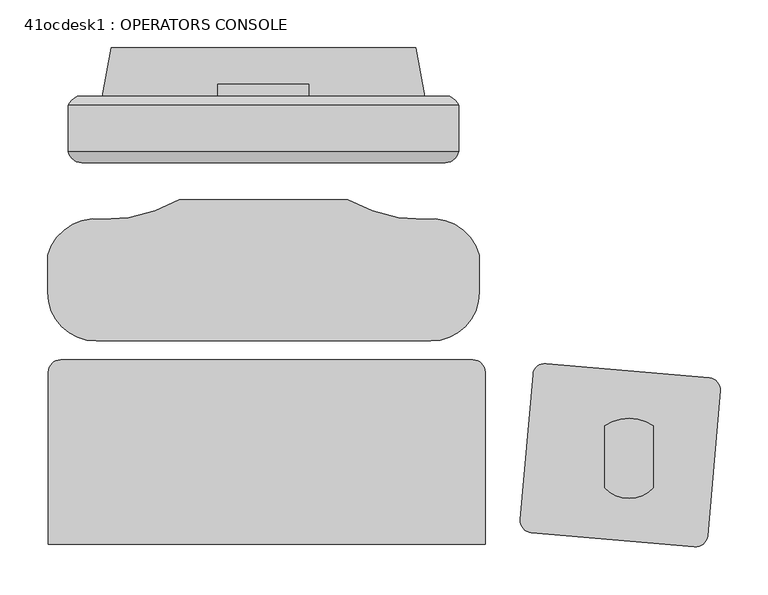
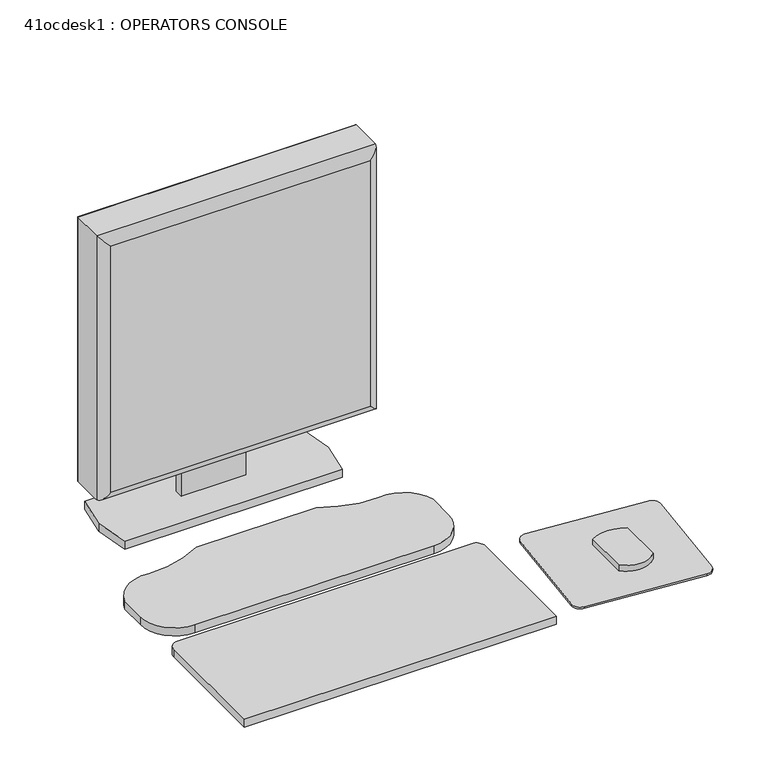
"""IFC4 building model written with IfcOpenShell, lengths in millimetres: proxy geometry, 41ocdesk1 : OPERATORS CONSOLE."""

from ifc_helpers import new_model, si_unit, point, frame, frame_2d, origin, place, context, project, spatial, polyline, circle_curve, ellipse_curve, trimmed, segment, composite_curve, outline, extrude, source, transform, mapped, element, save
from ifc_brep_helpers import plane_surface, cylinder_surface, advanced_brep


def proxy_41ocdesk1_operators_console_17525c75(model_context):
    return source(origin(), model_context, "Body", "SolidModel", [
        advanced_brep(
        [(59.2673539, 215.8255441, 1419.86), (59.2673539, 172.6948635, 1419.86), (59.2673539, 167.6978207, 1419.86), (468.2073539, 167.6978207, 1419.86), (468.2073539, 172.6948635, 1419.86), (468.2073539, 215.8255441, 1419.86), (468.2073539, 215.8255441, 1010.2963264), (468.2073539, 172.6948635, 1010.2963264), (468.2073539, 167.6978207, 1010.2963264), (59.2673539, 167.6978207, 1010.2963264), (59.2673539, 172.6948635, 1010.2963264), (59.2673539, 215.8255441, 1010.2963264), (68.5049899, 225.0631801, 1019.5339624), (68.5049899, 225.0631801, 1410.622364), (458.969718, 225.0631801, 1410.622364), (458.969718, 225.0631801, 1019.5339624), (73.4315146, 155.8135032, 1405.694569), (73.4315146, 155.8135032, 1024.4617574), (454.0419229, 155.8135032, 1024.460487), (454.0431933, 155.8135032, 1405.694569)],
        [
            (0, 1),
            (1, 2),
            (2, 3),
            (3, 4),
            (4, 5),
            (5, 0),
            (6, 7),
            (7, 8),
            (8, 9),
            (9, 10),
            (10, 11),
            (11, 6),
            (12, 13),
            (13, 14),
            (14, 15),
            (15, 12),
            (0, 11),
            (9, 2),
            (16, 17),
            (17, 18),
            (18, 19),
            (19, 16),
            (3, 8),
            (6, 5),
            (12, 11, ellipse_curve(frame((75.3820422, 208.9484918, 1026.4110147), z_axis=(-0.7071067811865452, 0.0, 0.7071067811865498), x_axis=(-0.7071067811865498, 0.0, -0.7071067811865452)), 24.7780962, 17.5207599)),
            (0, 13, ellipse_curve(frame((75.3820422, 208.9484918, 1403.7453117), z_axis=(-0.7071067811865498, 0.0, -0.7071067811865452), x_axis=(0.7071067811865452, 0.0, -0.7071067811865498)), 24.7780962, 17.5207599)),
            (16, 2, ellipse_curve(frame((73.4315146, 170.1963421, 1405.6958394), z_axis=(-0.7071067811865498, 0.0, -0.7071067811865452), x_axis=(0.7071067811865452, 0.0, -0.7071067811865498)), 20.3404059, 14.3828389)),
            (9, 17, ellipse_curve(frame((73.4315146, 170.1963421, 1024.460487), z_axis=(-0.7071067811865452, 0.0, 0.7071067811865498), x_axis=(-0.7071067811865498, 0.0, -0.7071067811865452)), 20.3404059, 14.3828389)),
            (15, 6, ellipse_curve(frame((452.0926657, 208.9484918, 1026.4110147), z_axis=(-0.7071067811865498, 0.0, -0.7071067811865452), x_axis=(0.7071067811865452, 0.0, -0.7071067811865497)), 24.7780962, 17.5207599)),
            (8, 18, ellipse_curve(frame((454.0431933, 170.1963421, 1024.460487), z_axis=(-0.7071067811865498, 0.0, -0.7071067811865452), x_axis=(0.7071067811865452, 0.0, -0.7071067811865497)), 20.3404059, 14.3828389)),
            (14, 5, ellipse_curve(frame((452.0926657, 208.9484918, 1403.7453117), z_axis=(0.7071067811865452, 0.0, -0.7071067811865498), x_axis=(0.7071067811865498, 0.0, 0.7071067811865452)), 24.7780962, 17.5207599)),
            (3, 19, ellipse_curve(frame((454.0431933, 170.1963421, 1405.6958394), z_axis=(0.7071067811865452, 0.0, -0.7071067811865498), x_axis=(0.7071067811865498, 0.0, 0.7071067811865452)), 20.3404059, 14.3828389)),
        ],
        [
            plane_surface(frame((64.3473539, 225.0631801, 1419.86), z_axis=(0.0, 0.0, 1.0), x_axis=(-1.0, 0.0, 0.0))),
            plane_surface(frame((64.3473539, 225.0631801, 1010.2963264), z_axis=(0.0, 0.0, -1.0), x_axis=(1.0, 0.0, 0.0))),
            plane_surface(frame((468.2073539, 225.0631801, 1419.86), z_axis=(0.0, 1.0, 0.0), x_axis=(0.0, 0.0, -1.0))),
            plane_surface(frame((59.2673539, 225.0631801, 1419.86), z_axis=(-1.0, 0.0, 0.0), x_axis=(0.0, 0.0, -1.0))),
            plane_surface(frame((59.2673539, 155.8135032, 1419.86), z_axis=(0.0, -1.0, 0.0), x_axis=(0.0, 0.0, -1.0))),
            plane_surface(frame((468.2073539, 155.8135032, 1419.86), z_axis=(1.0, 0.0, 0.0), x_axis=(0.0, 0.0, -1.0))),
            cylinder_surface(frame((75.3820422, 208.9484918, 1419.86), z_axis=(0.0, 0.0, -1.0), x_axis=(0.0, 1.0, 0.0)), 17.5207599),
            cylinder_surface(frame((73.4315146, 170.1963421, 1419.86), z_axis=(0.0, 0.0, -1.0), x_axis=(0.0, 1.0, 0.0)), 14.3828389),
            cylinder_surface(frame((59.2673539, 208.9484918, 1026.4110147), z_axis=(1.0, 0.0, 0.0), x_axis=(0.0, 1.0, 0.0)), 17.5207599),
            cylinder_surface(frame((59.2673539, 170.1963421, 1024.460487), z_axis=(1.0, 0.0, 0.0), x_axis=(0.0, 1.0, 0.0)), 14.3828389),
            cylinder_surface(frame((452.0926657, 208.9484918, 1010.2963264), z_axis=(0.0, 0.0, 1.0), x_axis=(0.0, 1.0, 0.0)), 17.5207599),
            cylinder_surface(frame((454.0431933, 170.1963421, 1010.2963264), z_axis=(0.0, 0.0, 1.0), x_axis=(0.0, 1.0, 0.0)), 14.3828389),
            cylinder_surface(frame((468.2073539, 208.9484918, 1403.7453117), z_axis=(-1.0, 0.0, 0.0), x_axis=(0.0, 1.0, 0.0)), 17.5207599),
            cylinder_surface(frame((468.2073539, 170.1963421, 1405.6958394), z_axis=(-1.0, 0.0, 0.0), x_axis=(0.0, 1.0, 0.0)), 14.3828389),
        ],
        [
            (0, [[1, 2, 3, 4, 5, 6]]),
            (1, [[7, 8, 9, 10, 11, 12]]),
            (2, [[13, 14, 15, 16]]),
            (3, [[-1, 17, -11, -10, 18, -2]]),
            (4, [[19, 20, 21, 22]]),
            (5, [[-5, -4, 23, -8, -7, 24]]),
            (6, [[25, -17, 26, -13]]),
            (7, [[27, -18, 28, -19]]),
            (8, [[-25, -16, 29, -12]]),
            (9, [[30, -20, -28, -9]]),
            (10, [[-29, -15, 31, -24]]),
            (11, [[32, -21, -30, -23]]),
            (12, [[-26, -6, -31, -14]]),
            (13, [[-27, -22, -32, -3]]),
        ],
    ),
        extrude(outline(polyline([(84.6673539, 161.7272823), (442.8073539, 161.7272823), (442.8073539, 155.8135032), (84.6673539, 155.8135032), (84.6673539, 161.7272823)])), frame((0.0, 0.0, 1035.6963264), z_axis=(0.0, 0.0, 1.0), x_axis=(1.0, 0.0, 0.0)), (0.0, 0.0, 1.0), 358.7636736),
        extrude(outline(polyline([(225.0631801, 1236.2794056), (237.7443513, 1236.2794056), (237.7443513, 926.6153731), (225.0631801, 926.6153731), (225.0631801, 1006.8339624), (227.8004125, 1006.8339624), (227.8004125, 1019.5339624), (225.0631801, 1019.5339624), (225.0631801, 1236.2794056)])), frame((216.1123539, 0.0, 0.0), z_axis=(1.0, 0.0, 0.0), x_axis=(0.0, 1.0, 0.0)), (0.0, 0.0, 1.0), 95.25),
        extrude(outline(composite_curve([segment(trimmed(circle_curve(frame_2d((558.6927577, -67.155936)), 12.7), [point((546.041085, -66.0490581))], [point((559.7996356, -54.5042634))], False, "CARTESIAN"), True, "CONTINUOUS"), segment(polyline([(559.7996356, -54.5042634), (730.5972166, -69.4471155)]), True, "CONTINUOUS"), segment(trimmed(circle_curve(frame_2d((729.4903387, -82.0987881)), 12.7), [point((730.5972166, -69.4471155))], [point((742.1420114, -83.2056661))], False, "CARTESIAN"), True, "CONTINUOUS"), segment(polyline([(742.1420114, -83.2056661), (728.8594762, -235.0257381)]), True, "CONTINUOUS"), segment(trimmed(circle_curve(frame_2d((716.2078035, -233.9188601)), 12.7), [point((728.8594762, -235.0257381))], [point((715.1009256, -246.5705328))], False, "CARTESIAN"), True, "CONTINUOUS"), segment(polyline([(715.1009256, -246.5705328), (544.3033446, -231.6276807)]), True, "CONTINUOUS"), segment(trimmed(circle_curve(frame_2d((545.4102225, -218.976008)), 12.7), [point((544.3033446, -231.6276807))], [point((532.7585499, -217.8691301))], False, "CARTESIAN"), True, "CONTINUOUS"), segment(polyline([(532.7585499, -217.8691301), (546.041085, -66.0490581)]), True, "CONTINUOUS")], self_intersect=False)), frame((0.0, 0.0, 914.4), z_axis=(0.0, 0.0, 1.0), x_axis=(1.0, 0.0, 0.0)), (0.0, 0.0, 1.0), 2.9133962),
        extrude(outline(composite_curve([segment(trimmed(circle_curve(frame_2d((646.6354421, -160.012564)), 35.5491443), [point((672.0354421, -184.8838659))], [point((621.2354421, -184.8838659))], False, "CARTESIAN"), True, "CONTINUOUS"), segment(polyline([(621.2354421, -184.8838659), (621.2354421, -119.5885192)]), True, "CONTINUOUS"), segment(trimmed(circle_curve(frame_2d((646.6354421, -157.7659323)), 45.8549329), [point((621.2354421, -119.5885192))], [point((672.0354421, -119.5885192))], False, "CARTESIAN"), True, "CONTINUOUS"), segment(polyline([(672.0354421, -119.5885192), (672.0354421, -184.8838659)]), True, "CONTINUOUS")], self_intersect=False)), frame((0.0, 0.0, 917.3133962), z_axis=(0.0, 0.0, 1.0), x_axis=(1.0, 0.0, 0.0)), (0.0, 0.0, 1.0), 9.3019768),
        extrude(outline(polyline([(95.0813539, 225.0631801), (104.2253539, 276.1171801), (423.2493539, 276.1171801), (432.3933539, 225.0631801), (423.2493539, 174.0091801), (104.2253539, 174.0091801), (95.0813539, 225.0631801)])), frame((0.0, 0.0, 914.4), z_axis=(0.0, 0.0, 1.0), x_axis=(1.0, 0.0, 0.0)), (0.0, 0.0, 1.0), 12.2153731),
        extrude(outline(composite_curve([segment(trimmed(circle_curve(frame_2d((263.8566758, -735.4242776)), 856.9162929), [point((175.7107787, 116.9464362))], [point((352.0025729, 116.9464362))], False, "CARTESIAN"), True, "CONTINUOUS"), segment(trimmed(circle_curve(frame_2d((428.9131487, 251.5634809)), 155.0386577), [point((352.0025729, 116.9464362))], [point((432.8850572, 96.5757094))], True, "CARTESIAN"), True, "CONTINUOUS"), segment(trimmed(circle_curve(frame_2d((439.9199655, 45.2869289)), 51.7689959), [point((432.8850572, 96.5757094))], [point((489.9166758, 58.7166679))], False, "CARTESIAN"), True, "CONTINUOUS"), segment(polyline([(489.9166758, 58.7166679), (489.9166758, 19.8920153)]), True, "CONTINUOUS"), segment(trimmed(circle_curve(frame_2d((439.1166758, 19.8920153)), 50.8), [point((489.9166758, 19.8920153))], [point((439.1166758, -30.9079847))], False, "CARTESIAN"), True, "CONTINUOUS"), segment(polyline([(439.1166758, -30.9079847), (88.5966758, -30.9079847)]), True, "CONTINUOUS"), segment(trimmed(circle_curve(frame_2d((88.5966758, 19.8920153)), 50.8), [point((88.5966758, -30.9079847))], [point((37.7966758, 19.8920153))], False, "CARTESIAN"), True, "CONTINUOUS"), segment(polyline([(37.7966758, 19.8920153), (37.7966758, 58.7166679)]), True, "CONTINUOUS"), segment(trimmed(circle_curve(frame_2d((87.7933861, 45.2869289)), 51.7689959), [point((37.7966758, 58.7166679))], [point((94.8282944, 96.5757094))], False, "CARTESIAN"), True, "CONTINUOUS"), segment(trimmed(circle_curve(frame_2d((98.8002029, 251.5634809)), 155.0386577), [point((94.8282944, 96.5757094))], [point((175.7107787, 116.9464362))], True, "CARTESIAN"), True, "CONTINUOUS")], self_intersect=False)), frame((0.0, 0.0, 914.4), z_axis=(0.0, 0.0, 1.0), x_axis=(1.0, 0.0, 0.0)), (0.0, 0.0, 1.0), 12.2153731),
        extrude(outline(composite_curve([segment(trimmed(circle_curve(frame_2d((483.0695915, -63.473341)), 12.7), [point((483.0695915, -50.773341))], [point((495.7695915, -63.473341))], False, "CARTESIAN"), True, "CONTINUOUS"), segment(polyline([(495.7695915, -63.473341), (495.7695915, -243.5442161)]), True, "CONTINUOUS"), segment(trimmed(circle_curve(frame_2d((267.1695915, 2056.710101)), 2311.5855777), [point((495.7695915, -243.5442161))], [point((38.5695915, -243.5442161))], False, "CARTESIAN"), True, "CONTINUOUS"), segment(polyline([(38.5695915, -243.5442161), (38.5695915, -63.473341)]), True, "CONTINUOUS"), segment(trimmed(circle_curve(frame_2d((51.2695915, -63.473341)), 12.7), [point((38.5695915, -63.473341))], [point((51.2695915, -50.773341))], False, "CARTESIAN"), True, "CONTINUOUS"), segment(polyline([(51.2695915, -50.773341), (483.0695915, -50.773341)]), True, "CONTINUOUS")], self_intersect=False)), frame((0.0, 0.0, 914.4), z_axis=(0.0, 0.0, 1.0), x_axis=(1.0, 0.0, 0.0)), (0.0, 0.0, 1.0), 12.2153731),
    ])


if __name__ == "__main__":
    model = new_model("IFC4")
    model_context = context("Model", 3, world=origin())
    ifc_project = project(units=[si_unit("LENGTHUNIT", "METRE", prefix="MILLI")], contexts=[model_context])
    site = spatial("IfcSite", under=ifc_project)
    building = spatial("IfcBuilding", under=site)
    placement = place(None, origin())
    proxy_41ocdesk1_operators_console_shape = proxy_41ocdesk1_operators_console_17525c75(model_context)
    element("IfcBuildingElementProxy", 1, Name="41ocdesk1 : OPERATORS CONSOLE", ObjectType="41ocdesk1 : OPERATORS CONSOLE", at=placement, inside=building, context=model_context, shape_type="MappedRepresentation", body=[
        mapped(proxy_41ocdesk1_operators_console_shape, transform((0.0, 0.0, 0.0), x_axis=(1.0, 0.0, 0.0), y_axis=(0.0, 1.0, 0.0), z_axis=(0.0, 0.0, 1.0))),
    ])
    save(model, "model.ifc")
